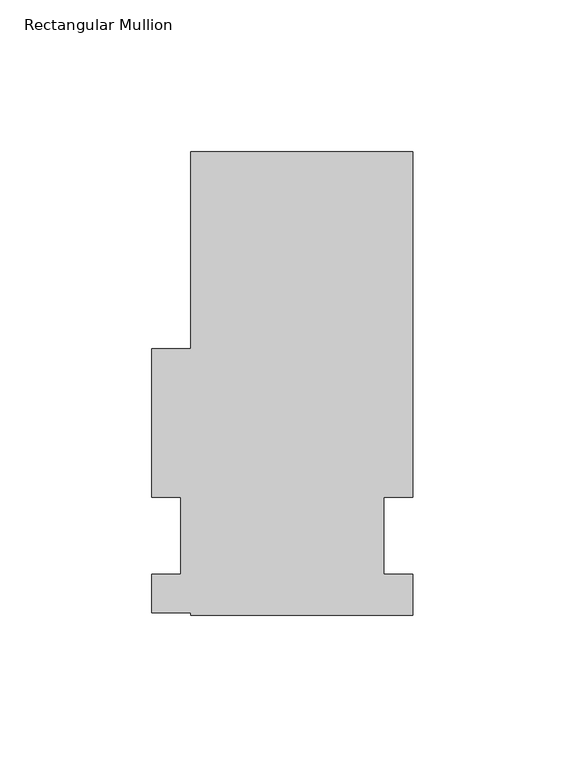
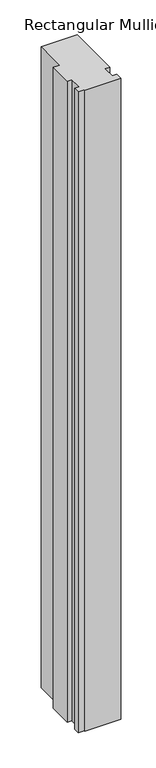
"""IFC4 building model written with IfcOpenShell, lengths in millimetres: member geometry, Rectangular Mullion."""

from ifc_helpers import new_model, si_unit, frame, origin, place, context, project, spatial, polyline, outline, extrude, source, transform, mapped, element, save


def rectangular_mullion_3a4724f3(model_context):
    return source(origin(), model_context, "Body", "SweptSolid", [
        extrude(outline(polyline([(-36.5114004, -26.19375), (-36.5114004, -25.4), (-49.2184161, -25.4), (-49.2184161, -12.7), (-39.6934161, -12.7), (-39.6934161, 12.7), (-49.2184161, 12.7), (-49.2184161, 61.5592912), (-36.5125, 61.5592912), (-36.5125, 126.20625), (36.5125, 126.20625), (36.5125, 12.7), (26.9875, 12.7), (26.9875, -12.7), (36.5125, -12.7), (36.5125, -26.19375), (-36.5114004, -26.19375)])), frame((0.0, 0.0, -1371.6), z_axis=(0.0, 0.0, 1.0), x_axis=(1.0, 0.0, 0.0)), (0.0, 0.0, 1.0), 1371.6),
    ])


if __name__ == "__main__":
    model = new_model("IFC4")
    model_context = context("Model", 3, world=origin())
    ifc_project = project(units=[si_unit("LENGTHUNIT", "METRE", prefix="MILLI")], contexts=[model_context])
    site = spatial("IfcSite", under=ifc_project)
    building = spatial("IfcBuilding", under=site)
    placement = place(None, origin())
    rectangular_mullion_shape = rectangular_mullion_3a4724f3(model_context)
    element("IfcMember", 1, ObjectType="Rectangular Mullion", at=placement, inside=building, context=model_context, shape_type="MappedRepresentation", body=[
        mapped(rectangular_mullion_shape, transform((0.0, 0.0, 0.0), x_axis=(1.0, 0.0, 0.0), y_axis=(0.0, 1.0, 0.0), z_axis=(0.0, 0.0, 1.0))),
    ])
    save(model, "model.ifc")
